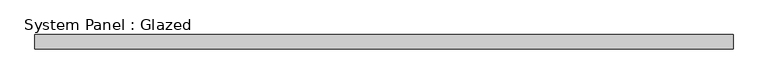
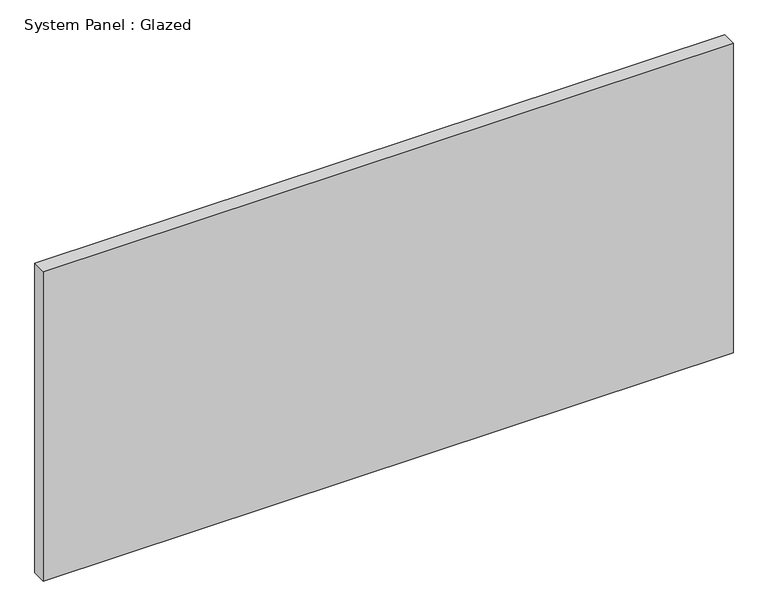
"""IFC4 building model written with IfcOpenShell, lengths in millimetres: plate geometry, System Panel : Glazed."""

from ifc_helpers import new_model, si_unit, origin, origin_with_axes, place, context, project, spatial, polyline, outline, extrude, source, transform, mapped, element, save


def system_panel_glazed_d0dee610(model_context):
    return source(origin(), model_context, "Body", "SweptSolid", [
        extrude(outline(polyline([(615.95, 19.05), (-615.95, 19.05), (-615.95, 44.45), (615.95, 44.45), (615.95, 19.05)])), origin_with_axes(), (0.0, 0.0, 1.0), 584.2),
    ])


if __name__ == "__main__":
    model = new_model("IFC4")
    model_context = context("Model", 3, world=origin())
    ifc_project = project(units=[si_unit("LENGTHUNIT", "METRE", prefix="MILLI")], contexts=[model_context])
    site = spatial("IfcSite", under=ifc_project)
    building = spatial("IfcBuilding", under=site)
    placement = place(None, origin())
    system_panel_glazed_shape = system_panel_glazed_d0dee610(model_context)
    element("IfcPlate", 1, ObjectType="System Panel : Glazed", at=placement, inside=building, context=model_context, shape_type="MappedRepresentation", body=[
        mapped(system_panel_glazed_shape, transform((0.0, 0.0, 0.0), x_axis=(1.0, 0.0, 0.0), y_axis=(0.0, 1.0, 0.0), z_axis=(0.0, 0.0, 1.0))),
    ])
    save(model, "model.ifc")
